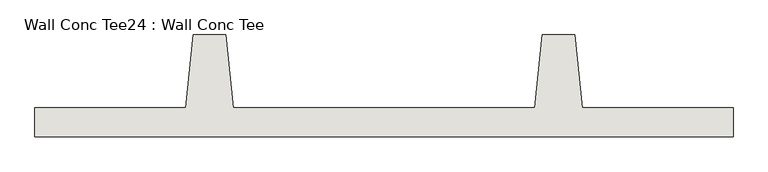
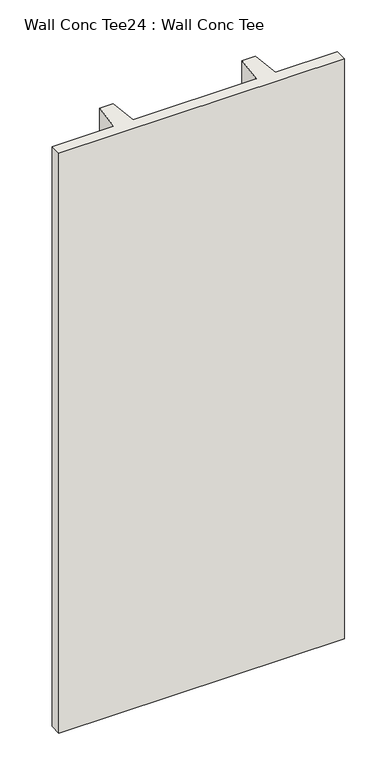
"""IFC4 building model written with IfcOpenShell, lengths in millimetres: wall geometry, Wall Conc Tee24 : Wall Conc Tee."""

from ifc_helpers import new_model, si_unit, frame, origin, place, context, project, spatial, polyline, outline, extrude, source, transform, mapped, element, save


def wall_conc_tee24_wall_conc_tee_6e3156e4(model_context):
    return source(origin(), model_context, "Body", "SweptSolid", [
        extrude(outline(polyline([(229680.2728488, 180886.8596581), (227241.8728488, 180886.8596581), (227241.8728488, 180988.4596581), (227768.9228488, 180988.4596581), (227794.3228488, 181242.4596581), (227908.6228488, 181242.4596581), (227934.0228488, 180988.4596581), (228988.1228488, 180988.4596581), (229013.5228488, 181242.4596581), (229127.8228488, 181242.4596581), (229153.2228488, 180988.4596581), (229680.2728488, 180988.4596581), (229680.2728488, 180886.8596581)])), frame((0.0, 0.0, 143.7592564), z_axis=(0.0, 0.0, 1.0), x_axis=(1.0, 0.0, 0.0)), (0.0, 0.0, 1.0), 5232.4087123),
    ])


if __name__ == "__main__":
    model = new_model("IFC4")
    model_context = context("Model", 3, world=origin())
    ifc_project = project(units=[si_unit("LENGTHUNIT", "METRE", prefix="MILLI")], contexts=[model_context])
    site = spatial("IfcSite", under=ifc_project)
    building = spatial("IfcBuilding", under=site)
    placement = place(None, origin())
    wall_conc_tee24_wall_conc_tee_shape = wall_conc_tee24_wall_conc_tee_6e3156e4(model_context)
    element("IfcWall", 1, ObjectType="Wall Conc Tee24 : Wall Conc Tee", at=placement, inside=building, context=model_context, shape_type="MappedRepresentation", body=[
        mapped(wall_conc_tee24_wall_conc_tee_shape, transform((0.0, 0.0, 0.0), x_axis=(1.0, 0.0, 0.0), y_axis=(0.0, 1.0, 0.0), z_axis=(0.0, 0.0, 1.0))),
    ])
    save(model, "model.ifc")
